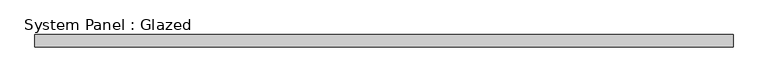
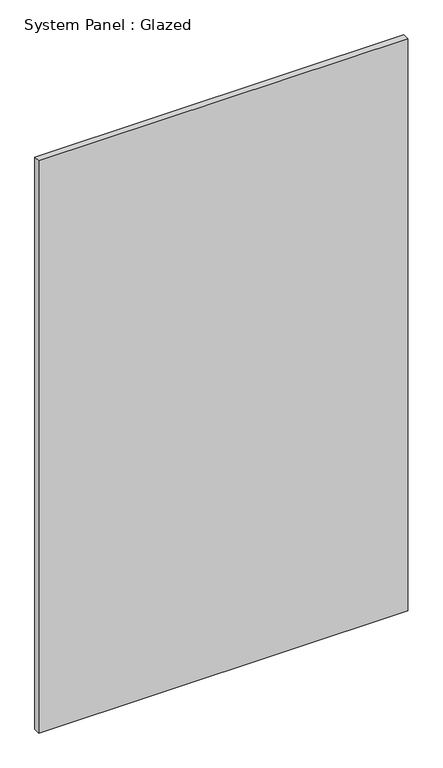
"""IFC4 building model written with IfcOpenShell, lengths in millimetres: plate geometry, System Panel : Glazed."""

from ifc_helpers import new_model, si_unit, origin, origin_with_axes, place, context, project, spatial, polyline, outline, extrude, source, transform, mapped, element, save


def system_panel_glazed_95c71899(model_context):
    return source(origin(), model_context, "Body", "SweptSolid", [
        extrude(outline(polyline([(714.375, 19.05), (-714.375, 19.05), (-714.375, 44.45), (714.375, 44.45), (714.375, 19.05)])), origin_with_axes(), (0.0, 0.0, 1.0), 2343.15),
    ])


if __name__ == "__main__":
    model = new_model("IFC4")
    model_context = context("Model", 3, world=origin())
    ifc_project = project(units=[si_unit("LENGTHUNIT", "METRE", prefix="MILLI")], contexts=[model_context])
    site = spatial("IfcSite", under=ifc_project)
    building = spatial("IfcBuilding", under=site)
    placement = place(None, origin())
    system_panel_glazed_shape = system_panel_glazed_95c71899(model_context)
    element("IfcPlate", 1, ObjectType="System Panel : Glazed", at=placement, inside=building, context=model_context, shape_type="MappedRepresentation", body=[
        mapped(system_panel_glazed_shape, transform((0.0, 0.0, 0.0), x_axis=(1.0, 0.0, 0.0), y_axis=(0.0, 1.0, 0.0), z_axis=(0.0, 0.0, 1.0))),
    ])
    save(model, "model.ifc")
